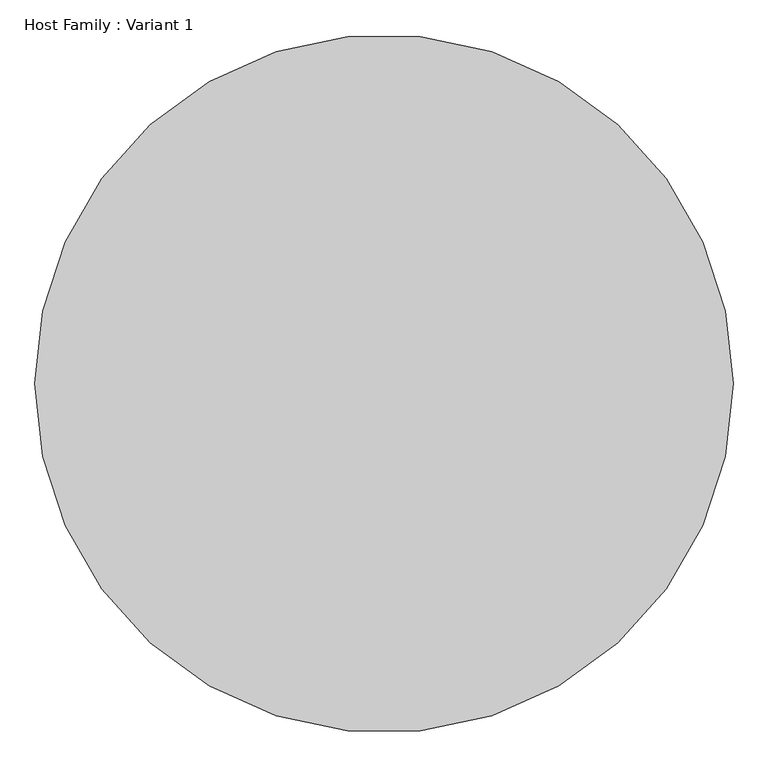
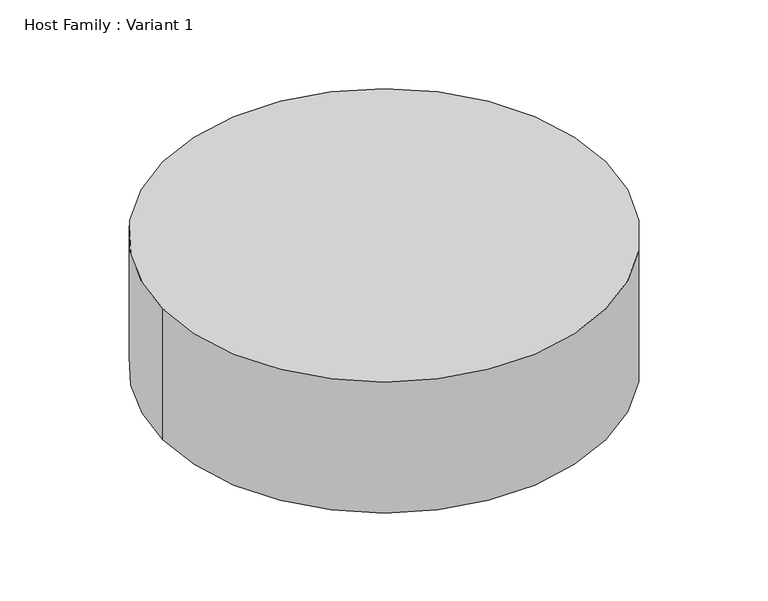
"""IFC4 building model written with IfcOpenShell, lengths in millimetres: proxy geometry, Host Family : Variant 1."""

from ifc_helpers import new_model, si_unit, point, frame_2d, origin, origin_with_axes, place, context, project, spatial, circle_curve, trimmed, segment, composite_curve, outline, extrude, source, transform, mapped, element, save


def host_family_variant_1_74d4b412(model_context):
    return source(origin(), model_context, "Body", "SweptSolid", [
        extrude(outline(composite_curve([segment(trimmed(circle_curve(frame_2d((1856.2222283, 1186.6609363)), 800.0), [point((1056.2222283, 1186.6609363))], [point((2656.2222283, 1186.6609363))], False, "CARTESIAN"), True, "CONTINUOUS"), segment(trimmed(circle_curve(frame_2d((1856.2222283, 1186.6609363)), 800.0), [point((2656.2222283, 1186.6609363))], [point((1056.2222283, 1186.6609363))], False, "CARTESIAN"), True, "CONTINUOUS")], self_intersect=False)), origin_with_axes(), (0.0, 0.0, 1.0), 500.0),
    ])


if __name__ == "__main__":
    model = new_model("IFC4")
    model_context = context("Model", 3, world=origin())
    ifc_project = project(units=[si_unit("LENGTHUNIT", "METRE", prefix="MILLI")], contexts=[model_context])
    site = spatial("IfcSite", under=ifc_project)
    building = spatial("IfcBuilding", under=site)
    placement = place(None, origin())
    host_family_variant_1_shape = host_family_variant_1_74d4b412(model_context)
    element("IfcBuildingElementProxy", 1, Name="Host Family : Variant 1", ObjectType="Host Family : Variant 1", at=placement, inside=building, context=model_context, shape_type="MappedRepresentation", body=[
        mapped(host_family_variant_1_shape, transform((0.0, 0.0, 0.0), x_axis=(1.0, 0.0, 0.0), y_axis=(0.0, 1.0, 0.0), z_axis=(0.0, 0.0, 1.0))),
    ])
    save(model, "model.ifc")
